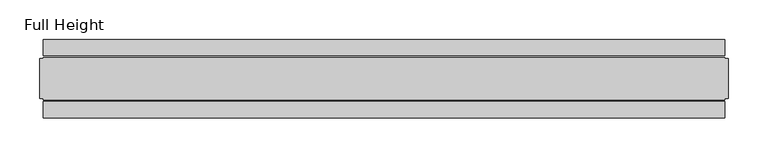
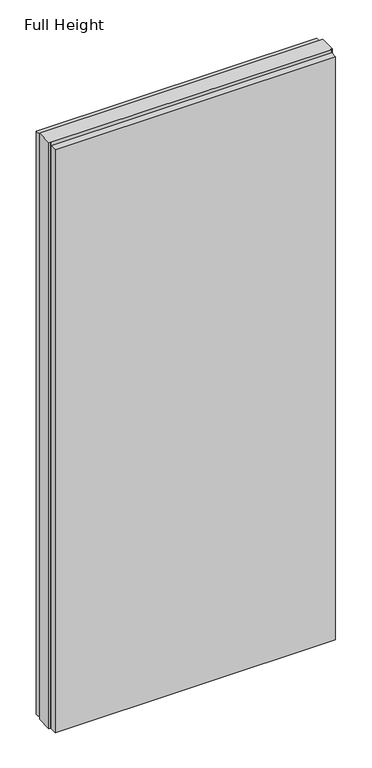
"""IFC4 building model written with IfcOpenShell, lengths in millimetres: plate geometry, Full Height."""

from ifc_helpers import new_model, si_unit, origin, origin_with_axes, place, context, project, spatial, polyline, outline, extrude, source, transform, mapped, element, save


def full_height_1d69609f(model_context):
    return source(origin(), model_context, "Body", "SweptSolid", [
        extrude(outline(polyline([(429.6096315, -28.956), (429.6096315, -49.53), (-429.6096315, -49.53), (-429.6096315, -28.956), (429.6096315, -28.956)])), origin_with_axes(), (0.0, 0.0, 1.0), 1889.252),
        extrude(outline(polyline([(429.6096315, 28.956), (-429.6096315, 28.956), (-429.6096315, 49.53), (429.6096315, 49.53), (429.6096315, 28.956)])), origin_with_axes(), (0.0, 0.0, 1.0), 1889.252),
        extrude(outline(polyline([(429.6096315, 25.146), (434.1816315, 25.146), (434.1816315, -25.146), (429.6096315, -25.146), (429.6096315, -26.67), (-429.6096315, -26.67), (-429.6096315, -25.146), (-434.1816315, -25.146), (-434.1816315, 25.146), (-429.6096315, 25.146), (-429.6096315, 26.67), (429.6096315, 26.67), (429.6096315, 25.146)])), origin_with_axes(), (0.0, 0.0, 1.0), 1898.396),
    ])


if __name__ == "__main__":
    model = new_model("IFC4")
    model_context = context("Model", 3, world=origin())
    ifc_project = project(units=[si_unit("LENGTHUNIT", "METRE", prefix="MILLI")], contexts=[model_context])
    site = spatial("IfcSite", under=ifc_project)
    building = spatial("IfcBuilding", under=site)
    placement = place(None, origin())
    full_height_shape = full_height_1d69609f(model_context)
    element("IfcPlate", 1, ObjectType="Full Height", at=placement, inside=building, context=model_context, shape_type="MappedRepresentation", body=[
        mapped(full_height_shape, transform((0.0, 0.0, 0.0), x_axis=(1.0, 0.0, 0.0), y_axis=(0.0, 1.0, 0.0), z_axis=(0.0, 0.0, 1.0))),
    ])
    save(model, "model.ifc")
